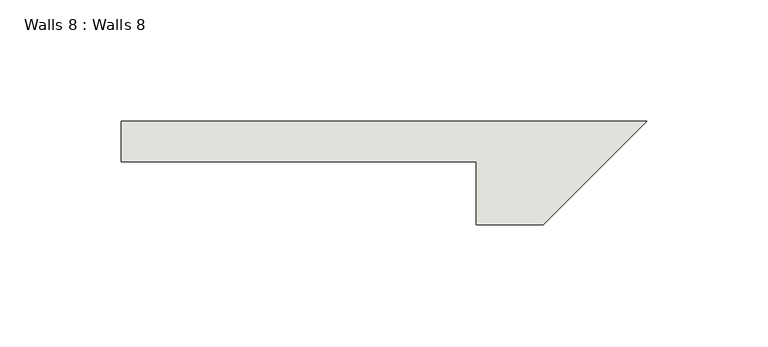
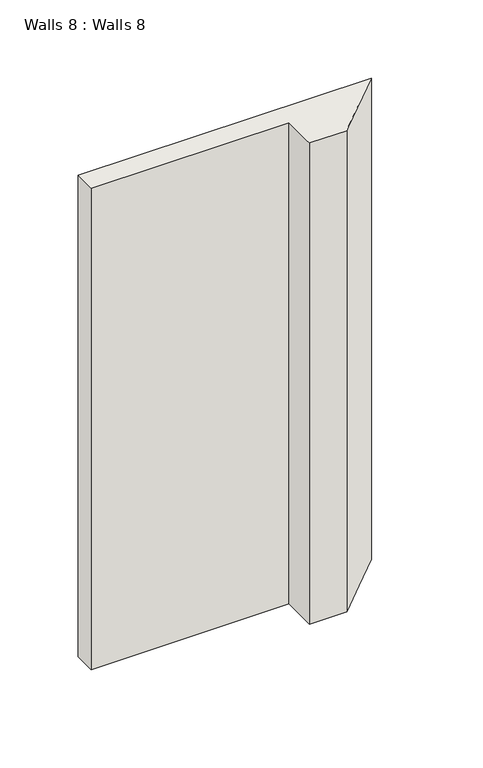
"""IFC4 building model written with IfcOpenShell, lengths in millimetres: wall geometry, Walls 8 : Walls 8."""

from ifc_helpers import new_model, si_unit, origin, place, context, project, spatial, faceted_brep, source, transform, mapped, element, save


def walls_8_walls_8_48462dc4(model_context):
    return source(origin(), model_context, "Body", "Brep", [
        faceted_brep([(-11827.4969605, -9329.2232563, -6312.8327984), (-11827.4969605, -9352.0670463, -6312.8327984), (-11827.4969605, -9355.1771123, -6312.8327984), (-11799.9429187, -9355.1771123, -6312.8327984), (-11796.8328528, -9352.0670463, -6312.8327984), (-11757.3215818, -9312.5557753, -6312.8327984), (-11973.5469605, -9312.5557753, -6312.8327984), (-11973.5469605, -9329.2232563, -6312.8327984), (-11827.4969605, -9329.2232563, -6687.952384), (-11973.5469605, -9329.2232563, -6687.952384), (-11973.5469605, -9312.5557753, -6687.952384), (-11757.3215818, -9312.5557753, -6687.952384), (-11778.8174285, -9334.051622, -6687.952384), (-11799.9429187, -9355.1771123, -6687.952384), (-11827.4969605, -9355.1771123, -6687.952384), (-11827.4969605, -9334.051622, -6687.952384), (-11799.9429187, -9355.1771123, -6654.614884), (-11799.9429187, -9355.1771123, -6344.3075584), (-11799.9429187, -9355.1771123, -6316.8993225), (-11757.3215818, -9312.5557753, -6654.614884), (-11757.3215818, -9312.5557753, -6395.1016898)], [[[0, 1, 2, 3, 4, 5, 6, 7]], [[8, 9, 10, 11, 12, 13, 14, 15]], [[2, 1, 0, 8, 15, 14]], [[3, 2, 14, 13, 16, 17, 18]], [[5, 4, 3, 18, 17, 16, 13, 12, 11, 19, 20]], [[6, 5, 20, 19, 11, 10]], [[7, 6, 10, 9]], [[0, 7, 9, 8]]]),
    ])


if __name__ == "__main__":
    model = new_model("IFC4")
    model_context = context("Model", 3, world=origin())
    ifc_project = project(units=[si_unit("LENGTHUNIT", "METRE", prefix="MILLI")], contexts=[model_context])
    site = spatial("IfcSite", under=ifc_project)
    building = spatial("IfcBuilding", under=site)
    placement = place(None, origin())
    walls_8_walls_8_shape = walls_8_walls_8_48462dc4(model_context)
    element("IfcWall", 1, ObjectType="Walls 8 : Walls 8", at=placement, inside=building, context=model_context, shape_type="MappedRepresentation", body=[
        mapped(walls_8_walls_8_shape, transform((0.0, 0.0, 0.0), x_axis=(1.0, 0.0, 0.0), y_axis=(0.0, 1.0, 0.0), z_axis=(0.0, 0.0, 1.0))),
    ])
    save(model, "model.ifc")
